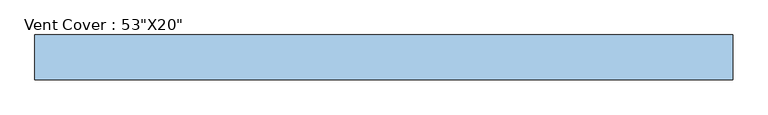
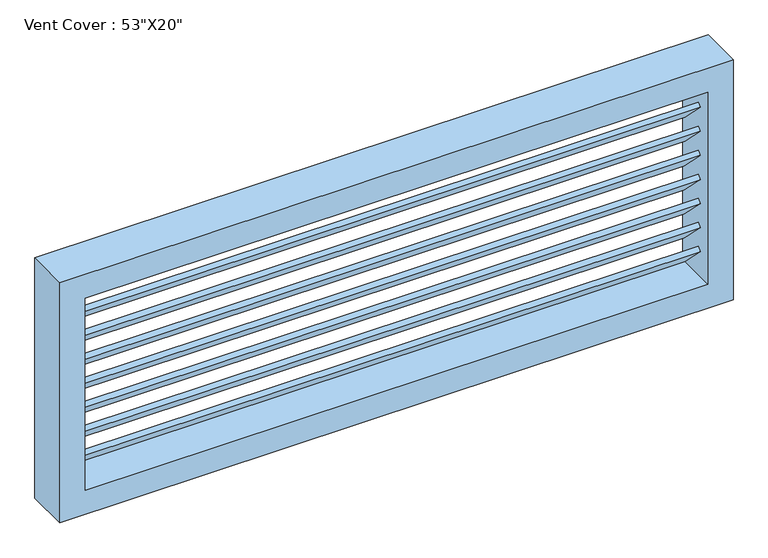
"""IFC4 building model written with IfcOpenShell, lengths in millimetres: window geometry."""

from ifc_helpers import new_model, si_unit, frame, origin, place, context, project, spatial, polyline, outline, extrude, source, transform, mapped, element, save


def window_b962178a(model_context):
    return source(origin(), model_context, "Body", "SweptSolid", [
        extrude(outline(polyline([(0.0, -76.2), (0.0, 0.0), (1244.6, 0.0), (1244.6, -76.2), (0.0, -76.2)])), frame((622.3, -3.8026045, 1260.2815367), z_axis=(0.0, 0.7071067811865506, 0.7071067811865446), x_axis=(-1.0, 0.0, 0.0)), (0.0, 0.0, 1.0), 10.0),
        extrude(outline(polyline([(0.0, -76.2), (0.0, 0.0), (1244.6, 0.0), (1244.6, -76.2), (0.0, -76.2)])), frame((622.3, -3.8026045, 1209.4815367), z_axis=(0.0, 0.7071067811865506, 0.7071067811865446), x_axis=(-1.0, 0.0, 0.0)), (0.0, 0.0, 1.0), 10.0),
        extrude(outline(polyline([(0.0, -76.2), (0.0, 0.0), (1244.6, 0.0), (1244.6, -76.2), (0.0, -76.2)])), frame((622.3, -3.8026045, 1158.6815367), z_axis=(0.0, 0.7071067811865506, 0.7071067811865446), x_axis=(-1.0, 0.0, 0.0)), (0.0, 0.0, 1.0), 10.0),
        extrude(outline(polyline([(0.0, -76.2), (0.0, 0.0), (1244.6, 0.0), (1244.6, -76.2), (0.0, -76.2)])), frame((622.3, -3.8026045, 1107.8815367), z_axis=(0.0, 0.7071067811865506, 0.7071067811865446), x_axis=(-1.0, 0.0, 0.0)), (0.0, 0.0, 1.0), 10.0),
        extrude(outline(polyline([(0.0, -76.2), (0.0, 0.0), (1244.6, 0.0), (1244.6, -76.2), (0.0, -76.2)])), frame((622.3, -3.8026045, 1057.0815367), z_axis=(0.0, 0.7071067811865506, 0.7071067811865446), x_axis=(-1.0, 0.0, 0.0)), (0.0, 0.0, 1.0), 10.0),
        extrude(outline(polyline([(0.0, -76.2), (0.0, 0.0), (1244.6, 0.0), (1244.6, -76.2), (0.0, -76.2)])), frame((622.3, -3.8026045, 1006.2815367), z_axis=(0.0, 0.7071067811865506, 0.7071067811865446), x_axis=(-1.0, 0.0, 0.0)), (0.0, 0.0, 1.0), 10.0),
        extrude(outline(polyline([(0.0, -76.2), (0.0, 0.0), (1244.6, 0.0), (1244.6, -76.2), (0.0, -76.2)])), frame((622.3, -3.8026045, 955.4815367), z_axis=(0.0, 0.7071067811865506, 0.7071067811865446), x_axis=(-1.0, 0.0, 0.0)), (0.0, 0.0, 1.0), 10.0),
        extrude(outline(polyline([(0.0, -76.2), (0.0, 0.0), (1244.6, 0.0), (1244.6, -76.2), (0.0, -76.2)])), frame((622.3, -3.8026045, 904.6815367), z_axis=(0.0, 0.7071067811865506, 0.7071067811865446), x_axis=(-1.0, 0.0, 0.0)), (0.0, 0.0, 1.0), 10.0),
        extrude(outline(polyline([(1308.0, 673.1), (1308.0, -673.1), (800.0, -673.1), (800.0, 673.1), (1308.0, 673.1)]), holes=[polyline([(1257.2, 622.3), (850.8, 622.3), (850.8, -622.3), (1257.2, -622.3), (1257.2, 622.3)])]), frame((0.0, -29.05, 0.0), z_axis=(0.0, 1.0, 0.0), x_axis=(0.0, 0.0, 1.0)), (0.0, 0.0, 1.0), 86.2),
    ])


if __name__ == "__main__":
    model = new_model("IFC4")
    model_context = context("Model", 3, world=origin())
    ifc_project = project(units=[si_unit("LENGTHUNIT", "METRE", prefix="MILLI")], contexts=[model_context])
    site = spatial("IfcSite", under=ifc_project)
    building = spatial("IfcBuilding", under=site)
    placement = place(None, origin())
    window_shape = window_b962178a(model_context)
    element("IfcWindow", 1, ObjectType="Vent Cover : 53\"X20\"", at=placement, inside=building, context=model_context, shape_type="MappedRepresentation", body=[
        mapped(window_shape, transform((0.0, 0.0, 0.0), x_axis=(1.0, 0.0, 0.0), y_axis=(0.0, 1.0, 0.0), z_axis=(0.0, 0.0, 1.0))),
    ])
    save(model, "model.ifc")
